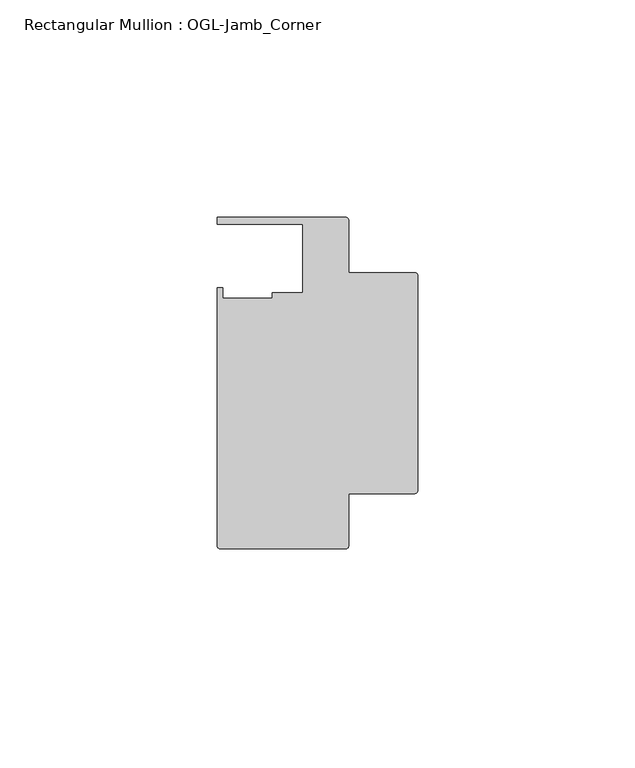
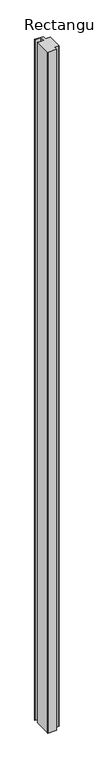
"""IFC4 building model written with IfcOpenShell, lengths in millimetres: member geometry, Rectangular Mullion : OGL-Jamb_Corner."""

from ifc_helpers import new_model, si_unit, point, frame, frame_2d, origin, place, context, project, spatial, polyline, circle_curve, trimmed, segment, composite_curve, outline, extrude, source, transform, mapped, element, save


def rectangular_mullion_ogl_jamb_corner_62a6a2ce(model_context):
    return source(origin(), model_context, "Body", "SweptSolid", [
        extrude(outline(composite_curve([segment(polyline([(-0.5953125, -55.5625), (-15.8750672, -55.5625), (-15.8750672, -67.6668667)]), True, "CONTINUOUS"), segment(trimmed(circle_curve(frame_2d((-16.4703797, -67.6668667)), 0.5953125), [point((-15.8750672, -67.6668667))], [point((-16.4703797, -68.2621792))], False, "CARTESIAN"), True, "CONTINUOUS"), segment(polyline([(-16.4703797, -68.2621792), (-45.4386473, -68.2621792)]), True, "CONTINUOUS"), segment(trimmed(circle_curve(frame_2d((-45.4386473, -67.6668667)), 0.5953125), [point((-45.4386473, -68.2621792))], [point((-46.0339598, -67.6668667))], False, "CARTESIAN"), True, "CONTINUOUS"), segment(polyline([(-46.0339598, -67.6668667), (-46.0339598, -8.1914024), (-44.7780305, -8.1914024), (-44.7780305, -10.6800725), (-33.3985545, -10.6800725), (-33.3985545, -9.3367652), (-26.3720794, -9.3367652), (-26.3720794, 6.350016), (-46.0248655, 6.350016), (-46.0248655, 7.937516), (-16.4703797, 7.937516)]), True, "CONTINUOUS"), segment(trimmed(circle_curve(frame_2d((-16.4703797, 7.3422035)), 0.5953125), [point((-16.4703797, 7.937516))], [point((-15.8750672, 7.3422035))], False, "CARTESIAN"), True, "CONTINUOUS"), segment(polyline([(-15.8750672, 7.3422035), (-15.8750672, -4.7625), (-0.5953125, -4.7625)]), True, "CONTINUOUS"), segment(trimmed(circle_curve(frame_2d((-0.5953125, -5.3578125)), 0.5953125), [point((-0.5953125, -4.7625))], [point((0.0, -5.3578125))], False, "CARTESIAN"), True, "CONTINUOUS"), segment(polyline([(0.0, -5.3578125), (0.0, -54.9671875)]), True, "CONTINUOUS"), segment(trimmed(circle_curve(frame_2d((-0.5953125, -54.9671875)), 0.5953125), [point((0.0, -54.9671875))], [point((-0.5953125, -55.5625))], False, "CARTESIAN"), True, "CONTINUOUS")], self_intersect=False)), frame((0.0, 0.0, -2438.4), z_axis=(0.0, 0.0, 1.0), x_axis=(1.0, 0.0, 0.0)), (0.0, 0.0, 1.0), 2438.4),
    ])


if __name__ == "__main__":
    model = new_model("IFC4")
    model_context = context("Model", 3, world=origin())
    ifc_project = project(units=[si_unit("LENGTHUNIT", "METRE", prefix="MILLI")], contexts=[model_context])
    site = spatial("IfcSite", under=ifc_project)
    building = spatial("IfcBuilding", under=site)
    placement = place(None, origin())
    rectangular_mullion_ogl_jamb_corner_shape = rectangular_mullion_ogl_jamb_corner_62a6a2ce(model_context)
    element("IfcMember", 1, ObjectType="Rectangular Mullion : OGL-Jamb_Corner", at=placement, inside=building, context=model_context, shape_type="MappedRepresentation", body=[
        mapped(rectangular_mullion_ogl_jamb_corner_shape, transform((0.0, 0.0, 0.0), x_axis=(1.0, 0.0, 0.0), y_axis=(0.0, 1.0, 0.0), z_axis=(0.0, 0.0, 1.0))),
    ])
    save(model, "model.ifc")
